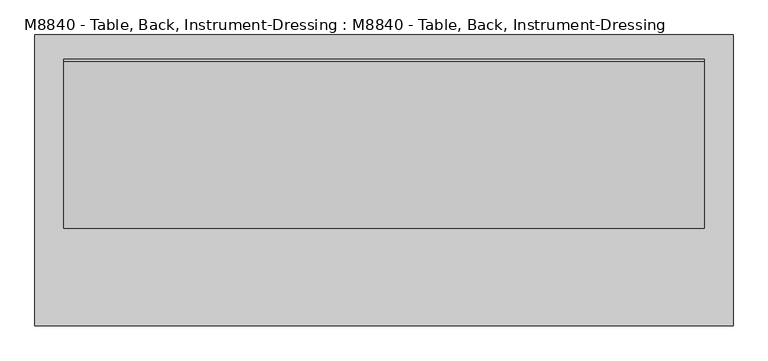
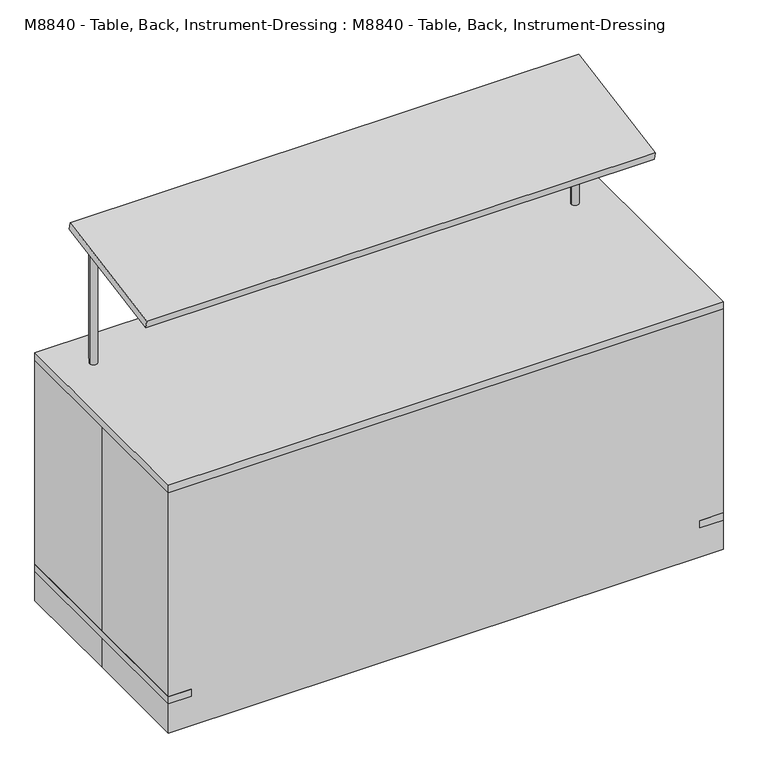
"""IFC4 building model written with IfcOpenShell, lengths in millimetres: proxy geometry, M8840 - Table, Back, Instrument-Dressing : M8840 - Table, Back, Instrument-Dressing."""

import ifcopenshell
import ifcopenshell.guid

model = None  # the IFC model being written
_history = None  # IfcOwnerHistory: only IFC2X3 demands one
_inside = {}  # id of a spatial element -> (the spatial element, [elements in it])
_under = {}  # id of a project, library or spatial element -> (it, [spatial elements below it])
_declared = {}  # id of a project -> (the project, [libraries it declares])
_typed = {}  # id of a type object -> (the type object, [elements of that type])
_made_of = {}  # id of a material, layer set ... -> (it, [elements and type objects made of it])


def new_model(schema):
    """Start an empty IFC model of exactly this schema.

    Asked for "IFC4X3", IfcOpenShell would pick the latest addendum, in which some entities
    have other attributes; the version numbers below select the first issue.
    IFC2X3 requires an IfcOwnerHistory on every rooted entity: one is made here for all.
    """
    global model, _history
    if schema == "IFC4X3":
        model = ifcopenshell.file(schema_version=(4, 3, 0, 0))
    else:
        model = ifcopenshell.file(schema=schema)
    _inside.clear()
    _under.clear()
    _declared.clear()
    _typed.clear()
    _made_of.clear()
    _history = None
    if model.schema == "IFC2X3":
        org = make("IfcOrganization", Name="unknown")
        user = make(
            "IfcPersonAndOrganization",
            ThePerson=make("IfcPerson", FamilyName="unknown"),
            TheOrganization=org,
        )
        app = make(
            "IfcApplication",
            ApplicationDeveloper=org,
            Version="unknown",
            ApplicationFullName="unknown",
            ApplicationIdentifier="unknown",
        )
        _history = make(
            "IfcOwnerHistory",
            OwningUser=user,
            OwningApplication=app,
            ChangeAction="ADDED",
            CreationDate=0,
        )
    return model


def make(cls, **values):
    """One entity of the class cls with the attributes given. An attribute that is None is left unset."""
    return model.create_entity(
        cls, **{name: value for name, value in values.items() if value is not None}
    )


def rooted(cls, **values):
    """An entity with a GlobalId (a new one), such as an element, a storey or a relation."""
    return make(cls, GlobalId=ifcopenshell.guid.new(), OwnerHistory=_history, **values)


def si_unit(unit_type, name, prefix=None):
    """IfcSIUnit, for example si_unit("LENGTHUNIT", "METRE", prefix="MILLI")."""
    return make("IfcSIUnit", UnitType=unit_type, Prefix=prefix, Name=name)


def assignment(units):
    """IfcUnitAssignment: the units of a project."""
    return None if units is None else make("IfcUnitAssignment", Units=units)


def point(xyz):
    """IfcCartesianPoint."""
    return None if xyz is None else make("IfcCartesianPoint", Coordinates=xyz)


def direction(xyz):
    """IfcDirection."""
    return None if xyz is None else make("IfcDirection", DirectionRatios=xyz)


def frame(location, z_axis=None, x_axis=None):
    """IfcAxis2Placement3D, a coordinate frame: its origin and axes. An axis left out is left unset."""
    return make(
        "IfcAxis2Placement3D",
        Location=point(location),
        Axis=direction(z_axis),
        RefDirection=direction(x_axis),
    )


def frame_2d(location, x_axis=None):
    """IfcAxis2Placement2D, a coordinate frame in the plane: its origin and x axis."""
    return make(
        "IfcAxis2Placement2D", Location=point(location), RefDirection=direction(x_axis)
    )


def origin():
    """The frame at (0, 0, 0) with its axes left unset."""
    return frame((0.0, 0.0, 0.0))


def origin_with_axes():
    """The frame at (0, 0, 0) with the z axis (0, 0, 1) and the x axis (1, 0, 0) written out."""
    return frame((0.0, 0.0, 0.0), z_axis=(0.0, 0.0, 1.0), x_axis=(1.0, 0.0, 0.0))


def place(relative_to, where):
    """IfcLocalPlacement: puts the frame where relative to a parent placement (None: the world)."""
    return make(
        "IfcLocalPlacement", PlacementRelTo=relative_to, RelativePlacement=where
    )


def context(
    kind, dimensions, precision=None, world=None, true_north=None, identifier=None
):
    """IfcGeometricRepresentationContext, for example the 3D "Model" context."""
    return make(
        "IfcGeometricRepresentationContext",
        ContextIdentifier=identifier,
        ContextType=kind,
        CoordinateSpaceDimension=dimensions,
        Precision=precision,
        WorldCoordinateSystem=world,
        TrueNorth=true_north,
    )


def project(units=None, contexts=None):
    """IfcProject with its units and contexts."""
    return rooted(
        "IfcProject",
        Name="project",
        RepresentationContexts=contexts,
        UnitsInContext=assignment(units),
    )


def spatial(cls, under=None, at=None, **own):
    """A site, building, storey or space (cls), placed at a placement, below another one or the project."""
    s = rooted(cls, ObjectPlacement=at, **own)
    if under is not None:
        _under.setdefault(under.id(), (under, []))[1].append(s)
    return s


def polyline(points):
    """IfcPolyline through the points."""
    return make("IfcPolyline", Points=[point(p) for p in points])


def circle_curve(where, radius):
    """IfcCircle in the frame where."""
    return make("IfcCircle", Position=where, Radius=radius)


def ellipse_curve(where, semi_axis1, semi_axis2):
    """IfcEllipse in the frame where."""
    return make(
        "IfcEllipse", Position=where, SemiAxis1=semi_axis1, SemiAxis2=semi_axis2
    )


def trimmed(basis, trim1, trim2, sense, master):
    """IfcTrimmedCurve: the piece of a basis curve between two trims."""
    return make(
        "IfcTrimmedCurve",
        BasisCurve=basis,
        Trim1=trim1,
        Trim2=trim2,
        SenseAgreement=sense,
        MasterRepresentation=master,
    )


def segment(curve, same_sense, transition):
    """IfcCompositeCurveSegment."""
    return make(
        "IfcCompositeCurveSegment",
        Transition=transition,
        SameSense=same_sense,
        ParentCurve=curve,
    )


def composite_curve(segments, self_intersect=None):
    """IfcCompositeCurve: segments joined end to end."""
    return make("IfcCompositeCurve", Segments=segments, SelfIntersect=self_intersect)


def outline(outer, holes=None, kind="AREA"):
    """IfcArbitraryClosedProfileDef: a profile drawn as a closed curve; with holes, ...WithVoids."""
    if holes is None:
        return make("IfcArbitraryClosedProfileDef", ProfileType=kind, OuterCurve=outer)
    return make(
        "IfcArbitraryProfileDefWithVoids",
        ProfileType=kind,
        OuterCurve=outer,
        InnerCurves=holes,
    )


def extrude(swept, where, along, depth):
    """IfcExtrudedAreaSolid: the profile swept, set in the frame where, extruded along a direction by depth."""
    return make(
        "IfcExtrudedAreaSolid",
        SweptArea=swept,
        Position=where,
        ExtrudedDirection=direction(along),
        Depth=depth,
    )


def shape(context_of_items, identifier, shape_type, items):
    """IfcShapeRepresentation: the items that make up one representation, for example the "Body"."""
    return make(
        "IfcShapeRepresentation",
        ContextOfItems=context_of_items,
        RepresentationIdentifier=identifier,
        RepresentationType=shape_type,
        Items=items,
    )


def source(mapping_origin, context_of_items, identifier, shape_type, items):
    """IfcRepresentationMap: a shape defined once, which mapped items show again and again."""
    return make(
        "IfcRepresentationMap",
        MappingOrigin=mapping_origin,
        MappedRepresentation=shape(context_of_items, identifier, shape_type, items),
    )


def transform(
    local_origin,
    x_axis=None,
    y_axis=None,
    z_axis=None,
    scale=None,
    scale2=None,
    scale3=None,
    uniform=True,
):
    """IfcCartesianTransformationOperator3D, or its non-uniform kind. x_axis, y_axis, z_axis: its Axis1, 2, 3."""
    if uniform:
        return make(
            "IfcCartesianTransformationOperator3D",
            Axis1=direction(x_axis),
            Axis2=direction(y_axis),
            LocalOrigin=point(local_origin),
            Scale=scale,
            Axis3=direction(z_axis),
        )
    return make(
        "IfcCartesianTransformationOperator3DnonUniform",
        Axis1=direction(x_axis),
        Axis2=direction(y_axis),
        LocalOrigin=point(local_origin),
        Scale=scale,
        Axis3=direction(z_axis),
        Scale2=scale2,
        Scale3=scale3,
    )


def mapped(mapping_source, mapping_target):
    """IfcMappedItem: shows the shape of a source again, moved by a transform."""
    return make(
        "IfcMappedItem", MappingSource=mapping_source, MappingTarget=mapping_target
    )


def made_of(thing, what):
    """Note that an element or type object is made of a material, layer set ...; save() writes the relation."""
    if what is not None:
        _made_of.setdefault(what.id(), (what, []))[1].append(thing)
    return thing


def element(
    cls,
    number,
    at=None,
    inside=None,
    cuts=None,
    type_object=None,
    material=None,
    context=None,
    identifier="Body",
    shape_type=None,
    held_by="IfcProductDefinitionShape",
    body=None,
    shapes=None,
    **own,
):
    """One element of the class cls, such as IfcWall. Its Tag is "e" and its number.

    at: its placement. inside: the storey or other place that contains it. cuts: it is an
    opening in that element (IfcRelVoidsElement). A single representation is given by context,
    identifier, shape_type and body (its items); several are given by shapes. held_by: the class
    of the entity that holds the representations. save() writes the other relations.
    """
    e = rooted(cls, Tag="e%d" % number, ObjectPlacement=at, **own)
    if body is not None:
        shapes = [shape(context, identifier, shape_type, body)]
    if shapes is not None:
        e.Representation = make(held_by, Representations=shapes)
    if inside is not None:
        _inside.setdefault(inside.id(), (inside, []))[1].append(e)
    if cuts is not None:
        rooted(
            "IfcRelVoidsElement", RelatingBuildingElement=cuts, RelatedOpeningElement=e
        )
    if type_object is not None:
        _typed.setdefault(type_object.id(), (type_object, []))[1].append(e)
    return made_of(e, material)


def aggregate(whole, parts):
    """IfcRelAggregates: a whole, such as a stair, and the parts it consists of."""
    return rooted("IfcRelAggregates", RelatingObject=whole, RelatedObjects=parts)


def save(model, path):
    """Write the relations noted so far, then the file.

    IfcRelAggregates (storeys below a building ...), IfcRelContainedInSpatialStructure (elements
    in a storey), IfcRelDefinesByType, IfcRelAssociatesMaterial and IfcRelDeclares: one each for
    every whole, place, type object, material and project.
    """
    for whole, parts in _under.values():
        aggregate(whole, parts)
    for where, things in _inside.values():
        rooted(
            "IfcRelContainedInSpatialStructure",
            RelatedElements=things,
            RelatingStructure=where,
        )
    for kind, things in _typed.values():
        rooted("IfcRelDefinesByType", RelatedObjects=things, RelatingType=kind)
    for what, things in _made_of.values():
        rooted("IfcRelAssociatesMaterial", RelatedObjects=things, RelatingMaterial=what)
    for by, libraries in _declared.values():
        rooted("IfcRelDeclares", RelatingContext=by, RelatedDefinitions=libraries)
    model.write(path)


def plane_surface(at):
    """IfcPlane: the flat surface through the origin of the frame at, square to its z axis."""
    return make("IfcPlane", Position=at)


def cylinder_surface(at, radius):
    """IfcCylindricalSurface: all points at the distance radius from the z axis of the frame at."""
    return make("IfcCylindricalSurface", Position=at, Radius=radius)


def advanced_brep(points, edges, surfaces, faces):
    """IfcAdvancedBrep: a solid bounded by faces that lie on surfaces and meet in shared edges.

    An edge is (start, end): straight between two places in points (the first is 0);
    or (start, end, curve); or (start, end, curve, False) where it runs against its curve.
    A face is (place in surfaces, loops), or (place, loops, False) where it looks against
    its surface's normal. A loop lists edges by number (the first is 1), with a minus sign
    where the edge is run from its end to its start. The first loop is the outer one.
    """
    corners = [point(p) for p in points]
    vertices = [make("IfcVertexPoint", VertexGeometry=c) for c in corners]
    made = []
    for start, end, *more in edges:
        made.append(
            make(
                "IfcEdgeCurve",
                EdgeStart=vertices[start],
                EdgeEnd=vertices[end],
                EdgeGeometry=more[0] if more else make("IfcPolyline", Points=[corners[start], corners[end]]),
                SameSense=more[1] if len(more) > 1 else True,
            )
        )
    hull = []
    for where, loops, *sense in faces:
        bounds = []
        for j, loop in enumerate(loops):
            ring = [make("IfcOrientedEdge", EdgeElement=made[abs(k) - 1], Orientation=k > 0) for k in loop]
            bounds.append(
                make(
                    "IfcFaceOuterBound" if j == 0 else "IfcFaceBound",
                    Bound=make("IfcEdgeLoop", EdgeList=ring),
                    Orientation=True,
                )
            )
        hull.append(make("IfcAdvancedFace", Bounds=bounds, FaceSurface=surfaces[where], SameSense=sense[0] if sense else True))
    return make("IfcAdvancedBrep", Outer=make("IfcClosedShell", CfsFaces=hull))


def m8840_table_back_instrument_dressing_m8840_table_back_7214e6ad(model_context):
    return source(origin(), model_context, "Body", "SolidModel", [
        advanced_brep(
        [(838.2, 312.4393375, 1331.1669319), (-838.2, 312.4393375, 1331.1669319), (-838.2, -125.5940422, 1253.9298286), (838.2, -125.5940422, 1253.9298286), (838.2, 316.8500012, 1306.1528149), (838.2, -121.1833785, 1228.9157117), (-838.2, -121.1833785, 1228.9157117), (-838.2, 316.8500012, 1306.1528149), (-806.45, 255.8677573, 1295.4), (-781.05, 255.8677573, 1295.4), (806.45, 255.8677573, 1295.4), (781.05, 255.8677573, 1295.4), (-806.45, 255.8677573, 863.6), (-781.05, 255.8677573, 863.6), (806.45, 255.8677573, 863.6), (781.05, 255.8677573, 863.6)],
        [
            (0, 1),
            (1, 2),
            (2, 3),
            (3, 0),
            (4, 5),
            (5, 6),
            (6, 7),
            (7, 4),
            (8, 9, ellipse_curve(frame((-793.75, 255.8677573, 1295.4), z_axis=(0.0, -0.17364817766692925, 0.9848077530122082), x_axis=(0.0, 0.9848077530122081, 0.17364817766692942)), 12.895918, 12.7)),
            (9, 8, ellipse_curve(frame((-793.75, 255.8677573, 1295.4), z_axis=(0.0, -0.17364817766692925, 0.9848077530122082), x_axis=(0.0, 0.9848077530122081, 0.17364817766692942)), 12.895918, 12.7)),
            (10, 11, ellipse_curve(frame((793.75, 255.8677573, 1295.4), z_axis=(0.0, -0.17364817766692925, 0.9848077530122082), x_axis=(0.0, 0.9848077530122081, 0.17364817766692942)), 12.895918, 12.7)),
            (11, 10, ellipse_curve(frame((793.75, 255.8677573, 1295.4), z_axis=(0.0, -0.17364817766692925, 0.9848077530122082), x_axis=(0.0, 0.9848077530122081, 0.17364817766692942)), 12.895918, 12.7)),
            (0, 4),
            (7, 1),
            (6, 2),
            (5, 3),
            (12, 13, circle_curve(frame((-793.75, 255.8677573, 863.6), z_axis=(0.0, 0.0, -1.0), x_axis=(1.0, 0.0, 0.0)), 12.7)),
            (13, 12, circle_curve(frame((-793.75, 255.8677573, 863.6), z_axis=(0.0, 0.0, -1.0), x_axis=(1.0, 0.0, 0.0)), 12.7)),
            (14, 15, circle_curve(frame((793.75, 255.8677573, 863.6), z_axis=(0.0, 0.0, -1.0), x_axis=(-1.0, 0.0, 0.0)), 12.7)),
            (15, 14, circle_curve(frame((793.75, 255.8677573, 863.6), z_axis=(0.0, 0.0, -1.0), x_axis=(-1.0, 0.0, 0.0)), 12.7)),
            (13, 9),
            (8, 12),
            (15, 11),
            (10, 14),
        ],
        [
            plane_surface(frame((-838.2, 312.4393375, 1331.1669319), z_axis=(0.0, -0.17364817766692925, 0.9848077530122082), x_axis=(-1.0, 0.0, 0.0))),
            plane_surface(frame((-838.2, 316.8500012, 1306.1528149), z_axis=(0.0, 0.17364817766692925, -0.9848077530122082), x_axis=(1.0, 0.0, 0.0))),
            plane_surface(frame((838.2, 312.4393375, 1331.1669319), z_axis=(0.0, 0.9848077530122084, 0.17364817766692864), x_axis=(0.0, 0.17364817766692864, -0.9848077530122084))),
            plane_surface(frame((-838.2, 312.4393375, 1331.1669319), z_axis=(-1.0, 0.0, 0.0), x_axis=(0.0, 0.17364817766692864, -0.9848077530122084))),
            plane_surface(frame((-838.2, -125.5940422, 1253.9298286), z_axis=(0.0, -0.9848077530122079, -0.17364817766693125), x_axis=(0.0, 0.17364817766693125, -0.9848077530122079))),
            plane_surface(frame((838.2, -125.5940422, 1253.9298286), z_axis=(1.0, 0.0, 0.0), x_axis=(0.0, 0.17364817766692864, -0.9848077530122084))),
            plane_surface(frame((-781.05, 255.8677573, 863.6), z_axis=(0.0, 0.0, -1.0), x_axis=(0.0, -1.0, 0.0))),
            cylinder_surface(frame((-793.75, 255.8677573, 863.6), z_axis=(0.0, 0.0, 1.0), x_axis=(1.0, 0.0, 0.0)), 12.7),
            cylinder_surface(frame((793.75, 255.8677573, 0.0), z_axis=(0.0, 0.0, 1.0), x_axis=(-1.0, 0.0, 0.0)), 12.7),
        ],
        [
            (0, [[1, 2, 3, 4]]),
            (1, [[5, 6, 7, 8], [9, 10], [11, 12]]),
            (2, [[-1, 13, -8, 14]]),
            (3, [[-2, -14, -7, 15]]),
            (4, [[-3, -15, -6, 16]]),
            (5, [[-4, -16, -5, -13]]),
            (6, [[17, 18]]),
            (6, [[19, 20]]),
            (7, [[-18, 21, -9, 22]]),
            (7, [[-17, -22, -10, -21]]),
            (8, [[-20, 23, -11, 24]]),
            (8, [[-19, -24, -12, -23]]),
        ],
    ),
        extrude(outline(polyline([(869.95, 290.561646), (863.6, 290.561646), (863.6, 317.7907506), (869.95, 317.7907506), (869.95, 290.561646)])), frame((0.0, 0.0, 50.8), z_axis=(0.0, 0.0, 1.0), x_axis=(1.0, 0.0, 0.0)), (0.0, 0.0, 1.0), 50.8),
        extrude(outline(polyline([(889.0, 290.561646), (882.65, 290.561646), (882.65, 317.7907506), (889.0, 317.7907506), (889.0, 290.561646)])), frame((0.0, 0.0, 50.8), z_axis=(0.0, 0.0, 1.0), x_axis=(1.0, 0.0, 0.0)), (0.0, 0.0, 1.0), 50.8),
        extrude(outline(composite_curve([segment(trimmed(circle_curve(frame_2d((304.8, 50.8)), 50.8), [point((355.6, 50.8))], [point((254.0, 50.8))], False, "CARTESIAN"), True, "CONTINUOUS"), segment(trimmed(circle_curve(frame_2d((304.8, 50.8)), 50.8), [point((254.0, 50.8))], [point((355.6, 50.8))], False, "CARTESIAN"), True, "CONTINUOUS")], self_intersect=False)), frame((869.95, 0.0, 0.0), z_axis=(1.0, 0.0, 0.0), x_axis=(0.0, 1.0, 0.0)), (0.0, 0.0, 1.0), 12.7),
        extrude(outline(polyline([(-882.65, 290.561646), (-889.0, 290.561646), (-889.0, 317.7907506), (-882.65, 317.7907506), (-882.65, 290.561646)])), frame((0.0, 0.0, 50.8), z_axis=(0.0, 0.0, 1.0), x_axis=(1.0, 0.0, 0.0)), (0.0, 0.0, 1.0), 50.8),
        extrude(outline(polyline([(-863.6, 290.561646), (-869.95, 290.561646), (-869.95, 317.7907506), (-863.6, 317.7907506), (-863.6, 290.561646)])), frame((0.0, 0.0, 50.8), z_axis=(0.0, 0.0, 1.0), x_axis=(1.0, 0.0, 0.0)), (0.0, 0.0, 1.0), 50.8),
        extrude(outline(composite_curve([segment(trimmed(circle_curve(frame_2d((304.8, 50.8)), 50.8), [point((355.6, 50.8))], [point((254.0, 50.8))], False, "CARTESIAN"), True, "CONTINUOUS"), segment(trimmed(circle_curve(frame_2d((304.8, 50.8)), 50.8), [point((254.0, 50.8))], [point((355.6, 50.8))], False, "CARTESIAN"), True, "CONTINUOUS")], self_intersect=False)), frame((-882.65, 0.0, 0.0), z_axis=(1.0, 0.0, 0.0), x_axis=(0.0, 1.0, 0.0)), (0.0, 0.0, 1.0), 12.7),
        extrude(outline(polyline([(869.95, -319.038354), (863.6, -319.038354), (863.6, -291.8092494), (869.95, -291.8092494), (869.95, -319.038354)])), frame((0.0, 0.0, 50.8), z_axis=(0.0, 0.0, 1.0), x_axis=(1.0, 0.0, 0.0)), (0.0, 0.0, 1.0), 50.8),
        extrude(outline(polyline([(889.0, -319.038354), (882.65, -319.038354), (882.65, -291.8092494), (889.0, -291.8092494), (889.0, -319.038354)])), frame((0.0, 0.0, 50.8), z_axis=(0.0, 0.0, 1.0), x_axis=(1.0, 0.0, 0.0)), (0.0, 0.0, 1.0), 50.8),
        extrude(outline(composite_curve([segment(trimmed(circle_curve(frame_2d((-304.8, 50.8)), 50.8), [point((-254.0, 50.8))], [point((-355.6, 50.8))], False, "CARTESIAN"), True, "CONTINUOUS"), segment(trimmed(circle_curve(frame_2d((-304.8, 50.8)), 50.8), [point((-355.6, 50.8))], [point((-254.0, 50.8))], False, "CARTESIAN"), True, "CONTINUOUS")], self_intersect=False)), frame((869.95, 0.0, 0.0), z_axis=(1.0, 0.0, 0.0), x_axis=(0.0, 1.0, 0.0)), (0.0, 0.0, 1.0), 12.7),
        extrude(outline(polyline([(-882.65, -319.038354), (-889.0, -319.038354), (-889.0, -291.8092494), (-882.65, -291.8092494), (-882.65, -319.038354)])), frame((0.0, 0.0, 50.8), z_axis=(0.0, 0.0, 1.0), x_axis=(1.0, 0.0, 0.0)), (0.0, 0.0, 1.0), 50.8),
        extrude(outline(polyline([(-863.6, -319.038354), (-869.95, -319.038354), (-869.95, -291.8092494), (-863.6, -291.8092494), (-863.6, -319.038354)])), frame((0.0, 0.0, 50.8), z_axis=(0.0, 0.0, 1.0), x_axis=(1.0, 0.0, 0.0)), (0.0, 0.0, 1.0), 50.8),
        extrude(outline(composite_curve([segment(trimmed(circle_curve(frame_2d((-304.8, 50.8)), 50.8), [point((-254.0, 50.8))], [point((-355.6, 50.8))], False, "CARTESIAN"), True, "CONTINUOUS"), segment(trimmed(circle_curve(frame_2d((-304.8, 50.8)), 50.8), [point((-355.6, 50.8))], [point((-254.0, 50.8))], False, "CARTESIAN"), True, "CONTINUOUS")], self_intersect=False)), frame((-882.65, 0.0, 0.0), z_axis=(1.0, 0.0, 0.0), x_axis=(0.0, 1.0, 0.0)), (0.0, 0.0, 1.0), 12.7),
        extrude(outline(polyline([(914.4, 381.0), (914.4, -381.0), (-914.4, -381.0), (-914.4, 381.0), (914.4, 381.0)])), frame((0.0, 0.0, 838.2), z_axis=(0.0, 0.0, 1.0), x_axis=(1.0, 0.0, 0.0)), (0.0, 0.0, 1.0), 25.4),
        extrude(outline(composite_curve([segment(trimmed(circle_curve(frame_2d((876.3, -304.8)), 25.4), [point((876.3, -279.4))], [point((850.9, -304.8))], True, "CARTESIAN"), True, "CONTINUOUS"), segment(polyline([(850.9, -304.8), (-850.9, -304.8)]), True, "CONTINUOUS"), segment(trimmed(circle_curve(frame_2d((-876.3, -304.8)), 25.4), [point((-850.9, -304.8))], [point((-876.3, -279.4))], True, "CARTESIAN"), True, "CONTINUOUS"), segment(polyline([(-876.3, -279.4), (-876.3, 279.4)]), True, "CONTINUOUS"), segment(trimmed(circle_curve(frame_2d((-876.3, 304.8)), 25.4), [point((-876.3, 279.4))], [point((-850.9, 304.8))], True, "CARTESIAN"), True, "CONTINUOUS"), segment(polyline([(-850.9, 304.8), (850.9, 304.8)]), True, "CONTINUOUS"), segment(trimmed(circle_curve(frame_2d((876.3, 304.8)), 25.4), [point((850.9, 304.8))], [point((876.3, 279.4))], True, "CARTESIAN"), True, "CONTINUOUS"), segment(polyline([(876.3, 279.4), (876.3, -279.4)]), True, "CONTINUOUS")], self_intersect=False)), frame((0.0, 0.0, 279.4), z_axis=(0.0, 0.0, 1.0), x_axis=(1.0, 0.0, 0.0)), (0.0, 0.0, 1.0), 25.4),
        extrude(outline(composite_curve([segment(trimmed(circle_curve(frame_2d((-876.3, -304.8)), 25.4), [point((-901.7, -304.8))], [point((-850.9, -304.8))], False, "CARTESIAN"), True, "CONTINUOUS"), segment(trimmed(circle_curve(frame_2d((-876.3, -304.8)), 25.4), [point((-850.9, -304.8))], [point((-901.7, -304.8))], False, "CARTESIAN"), True, "CONTINUOUS")], self_intersect=False)), frame((0.0, 0.0, 127.0), z_axis=(0.0, 0.0, 1.0), x_axis=(1.0, 0.0, 0.0)), (0.0, 0.0, 1.0), 711.2),
        extrude(outline(composite_curve([segment(trimmed(circle_curve(frame_2d((876.3, -304.8)), 25.4), [point((901.7, -304.8))], [point((850.9, -304.8))], False, "CARTESIAN"), True, "CONTINUOUS"), segment(trimmed(circle_curve(frame_2d((876.3, -304.8)), 25.4), [point((850.9, -304.8))], [point((901.7, -304.8))], False, "CARTESIAN"), True, "CONTINUOUS")], self_intersect=False)), frame((0.0, 0.0, 127.0), z_axis=(0.0, 0.0, 1.0), x_axis=(1.0, 0.0, 0.0)), (0.0, 0.0, 1.0), 711.2),
        extrude(outline(composite_curve([segment(trimmed(circle_curve(frame_2d((-876.3, 304.8)), 25.4), [point((-901.7, 304.8))], [point((-850.9, 304.8))], False, "CARTESIAN"), True, "CONTINUOUS"), segment(trimmed(circle_curve(frame_2d((-876.3, 304.8)), 25.4), [point((-850.9, 304.8))], [point((-901.7, 304.8))], False, "CARTESIAN"), True, "CONTINUOUS")], self_intersect=False)), frame((0.0, 0.0, 127.0), z_axis=(0.0, 0.0, 1.0), x_axis=(1.0, 0.0, 0.0)), (0.0, 0.0, 1.0), 711.2),
        extrude(outline(composite_curve([segment(trimmed(circle_curve(frame_2d((876.3, 304.8)), 25.4), [point((901.7, 304.8))], [point((850.9, 304.8))], False, "CARTESIAN"), True, "CONTINUOUS"), segment(trimmed(circle_curve(frame_2d((876.3, 304.8)), 25.4), [point((850.9, 304.8))], [point((901.7, 304.8))], False, "CARTESIAN"), True, "CONTINUOUS")], self_intersect=False)), frame((0.0, 0.0, 127.0), z_axis=(0.0, 0.0, 1.0), x_axis=(1.0, 0.0, 0.0)), (0.0, 0.0, 1.0), 711.2),
        extrude(outline(polyline([(-838.2, 381.0), (-838.2, -381.0), (-914.4, -381.0), (-914.4, 381.0), (-838.2, 381.0)])), frame((0.0, 0.0, 101.6), z_axis=(0.0, 0.0, 1.0), x_axis=(1.0, 0.0, 0.0)), (0.0, 0.0, 1.0), 25.4),
        extrude(outline(polyline([(838.2, 381.0), (914.4, 381.0), (914.4, -381.0), (838.2, -381.0), (838.2, 381.0)])), frame((0.0, 0.0, 101.6), z_axis=(0.0, 0.0, 1.0), x_axis=(1.0, 0.0, 0.0)), (0.0, 0.0, 1.0), 25.4),
        extrude(outline(polyline([(-914.4, 381.0), (914.4, 381.0), (914.4, -381.0), (-914.4, -381.0), (-914.4, 0.0), (-914.4, 381.0)])), origin_with_axes(), (0.0, 0.0, 1.0), 863.6),
    ])


if __name__ == "__main__":
    model = new_model("IFC4")
    model_context = context("Model", 3, world=origin())
    ifc_project = project(units=[si_unit("LENGTHUNIT", "METRE", prefix="MILLI")], contexts=[model_context])
    site = spatial("IfcSite", under=ifc_project)
    building = spatial("IfcBuilding", under=site)
    placement = place(None, origin())
    m8840_table_back_instrument_dressing_m8840_table_back_shape = m8840_table_back_instrument_dressing_m8840_table_back_7214e6ad(model_context)
    element("IfcBuildingElementProxy", 1, Name="M8840 - Table, Back, Instrument-Dressing : M8840 - Table, Back, Instrument-Dressing", ObjectType="M8840 - Table, Back, Instrument-Dressing : M8840 - Table, Back, Instrument-Dressing", at=placement, inside=building, context=model_context, shape_type="MappedRepresentation", body=[
        mapped(m8840_table_back_instrument_dressing_m8840_table_back_shape, transform((0.0, 0.0, 0.0), x_axis=(1.0, 0.0, 0.0), y_axis=(0.0, 1.0, 0.0), z_axis=(0.0, 0.0, 1.0))),
    ])
    save(model, "model.ifc")
